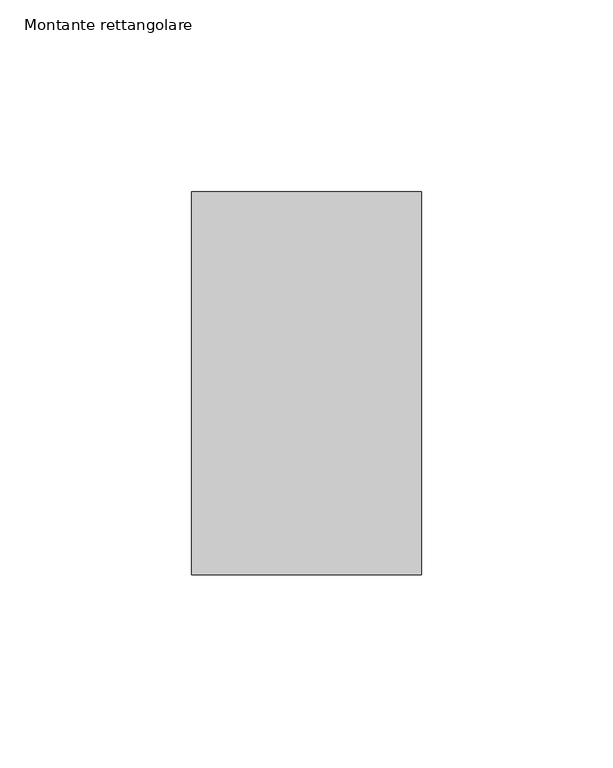
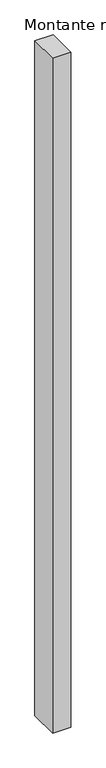
"""IFC4 building model written with IfcOpenShell, lengths in millimetres: member geometry, Montante rettangolare."""

from ifc_helpers import new_model, si_unit, frame, origin, place, context, project, spatial, polyline, outline, extrude, source, transform, mapped, element, save


def montante_rettangolare_e5508434(model_context):
    return source(origin(), model_context, "Body", "SweptSolid", [
        extrude(outline(polyline([(30.0, 50.0), (30.0, -50.0), (-30.0, -50.0), (-30.0, 50.0), (30.0, 50.0)])), frame((0.0, 0.0, -2340.0117755), z_axis=(0.0, 0.0, 1.0), x_axis=(1.0, 0.0, 0.0)), (0.0, 0.0, 1.0), 2340.0117755),
    ])


if __name__ == "__main__":
    model = new_model("IFC4")
    model_context = context("Model", 3, world=origin())
    ifc_project = project(units=[si_unit("LENGTHUNIT", "METRE", prefix="MILLI")], contexts=[model_context])
    site = spatial("IfcSite", under=ifc_project)
    building = spatial("IfcBuilding", under=site)
    placement = place(None, origin())
    montante_rettangolare_shape = montante_rettangolare_e5508434(model_context)
    element("IfcMember", 1, ObjectType="Montante rettangolare", at=placement, inside=building, context=model_context, shape_type="MappedRepresentation", body=[
        mapped(montante_rettangolare_shape, transform((0.0, 0.0, 0.0), x_axis=(1.0, 0.0, 0.0), y_axis=(0.0, 1.0, 0.0), z_axis=(0.0, 0.0, 1.0))),
    ])
    save(model, "model.ifc")
